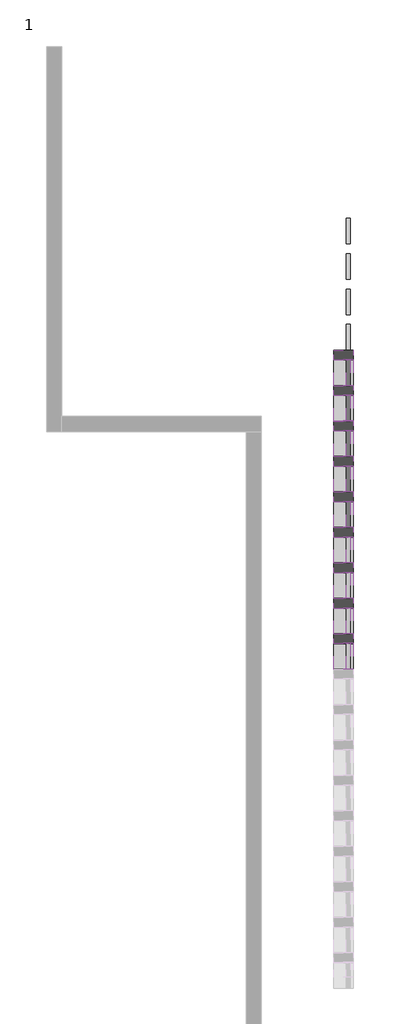
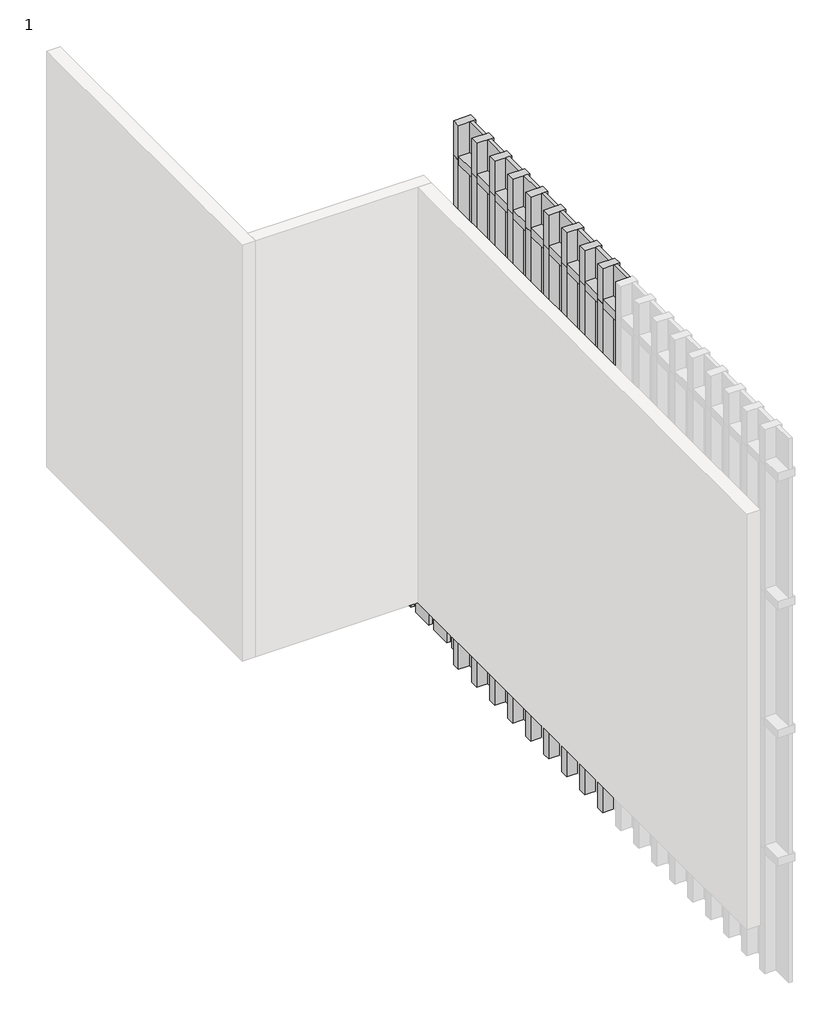
# One storey, part 15 of 40: 81 members, 39 plates.
"""IFC4 building model written with IfcOpenShell, lengths in millimetres."""

import ifcopenshell
import ifcopenshell.guid

model = None  # the IFC model being written
_history = None  # IfcOwnerHistory: only IFC2X3 demands one
_inside = {}  # id of a spatial element -> (the spatial element, [elements in it])
_under = {}  # id of a project, library or spatial element -> (it, [spatial elements below it])
_declared = {}  # id of a project -> (the project, [libraries it declares])
_typed = {}  # id of a type object -> (the type object, [elements of that type])
_made_of = {}  # id of a material, layer set ... -> (it, [elements and type objects made of it])


def new_model(schema):
    """Start an empty IFC model of exactly this schema.

    Asked for "IFC4X3", IfcOpenShell would pick the latest addendum, in which some entities
    have other attributes; the version numbers below select the first issue.
    IFC2X3 requires an IfcOwnerHistory on every rooted entity: one is made here for all.
    """
    global model, _history
    if schema == "IFC4X3":
        model = ifcopenshell.file(schema_version=(4, 3, 0, 0))
    else:
        model = ifcopenshell.file(schema=schema)
    _inside.clear()
    _under.clear()
    _declared.clear()
    _typed.clear()
    _made_of.clear()
    _history = None
    if model.schema == "IFC2X3":
        org = make("IfcOrganization", Name="unknown")
        user = make(
            "IfcPersonAndOrganization",
            ThePerson=make("IfcPerson", FamilyName="unknown"),
            TheOrganization=org,
        )
        app = make(
            "IfcApplication",
            ApplicationDeveloper=org,
            Version="unknown",
            ApplicationFullName="unknown",
            ApplicationIdentifier="unknown",
        )
        _history = make(
            "IfcOwnerHistory",
            OwningUser=user,
            OwningApplication=app,
            ChangeAction="ADDED",
            CreationDate=0,
        )
    return model


def make(cls, **values):
    """One entity of the class cls with the attributes given. An attribute that is None is left unset."""
    return model.create_entity(
        cls, **{name: value for name, value in values.items() if value is not None}
    )


def rooted(cls, **values):
    """An entity with a GlobalId (a new one), such as an element, a storey or a relation."""
    return make(cls, GlobalId=ifcopenshell.guid.new(), OwnerHistory=_history, **values)


def si_unit(unit_type, name, prefix=None):
    """IfcSIUnit, for example si_unit("LENGTHUNIT", "METRE", prefix="MILLI")."""
    return make("IfcSIUnit", UnitType=unit_type, Prefix=prefix, Name=name)


def assignment(units):
    """IfcUnitAssignment: the units of a project."""
    return None if units is None else make("IfcUnitAssignment", Units=units)


def point(xyz):
    """IfcCartesianPoint."""
    return None if xyz is None else make("IfcCartesianPoint", Coordinates=xyz)


def direction(xyz):
    """IfcDirection."""
    return None if xyz is None else make("IfcDirection", DirectionRatios=xyz)


def frame(location, z_axis=None, x_axis=None):
    """IfcAxis2Placement3D, a coordinate frame: its origin and axes. An axis left out is left unset."""
    return make(
        "IfcAxis2Placement3D",
        Location=point(location),
        Axis=direction(z_axis),
        RefDirection=direction(x_axis),
    )


def origin():
    """The frame at (0, 0, 0) with its axes left unset."""
    return frame((0.0, 0.0, 0.0))


def origin_with_axes():
    """The frame at (0, 0, 0) with the z axis (0, 0, 1) and the x axis (1, 0, 0) written out."""
    return frame((0.0, 0.0, 0.0), z_axis=(0.0, 0.0, 1.0), x_axis=(1.0, 0.0, 0.0))


def place(relative_to, where):
    """IfcLocalPlacement: puts the frame where relative to a parent placement (None: the world)."""
    return make(
        "IfcLocalPlacement", PlacementRelTo=relative_to, RelativePlacement=where
    )


def context(
    kind, dimensions, precision=None, world=None, true_north=None, identifier=None
):
    """IfcGeometricRepresentationContext, for example the 3D "Model" context."""
    return make(
        "IfcGeometricRepresentationContext",
        ContextIdentifier=identifier,
        ContextType=kind,
        CoordinateSpaceDimension=dimensions,
        Precision=precision,
        WorldCoordinateSystem=world,
        TrueNorth=true_north,
    )


def project(units=None, contexts=None):
    """IfcProject with its units and contexts."""
    return rooted(
        "IfcProject",
        Name="project",
        RepresentationContexts=contexts,
        UnitsInContext=assignment(units),
    )


def spatial(cls, under=None, at=None, **own):
    """A site, building, storey or space (cls), placed at a placement, below another one or the project."""
    s = rooted(cls, ObjectPlacement=at, **own)
    if under is not None:
        _under.setdefault(under.id(), (under, []))[1].append(s)
    return s


def polyline(points):
    """IfcPolyline through the points."""
    return make("IfcPolyline", Points=[point(p) for p in points])


def outline(outer, holes=None, kind="AREA"):
    """IfcArbitraryClosedProfileDef: a profile drawn as a closed curve; with holes, ...WithVoids."""
    if holes is None:
        return make("IfcArbitraryClosedProfileDef", ProfileType=kind, OuterCurve=outer)
    return make(
        "IfcArbitraryProfileDefWithVoids",
        ProfileType=kind,
        OuterCurve=outer,
        InnerCurves=holes,
    )


def extrude(swept, where, along, depth):
    """IfcExtrudedAreaSolid: the profile swept, set in the frame where, extruded along a direction by depth."""
    return make(
        "IfcExtrudedAreaSolid",
        SweptArea=swept,
        Position=where,
        ExtrudedDirection=direction(along),
        Depth=depth,
    )


def shape(context_of_items, identifier, shape_type, items):
    """IfcShapeRepresentation: the items that make up one representation, for example the "Body"."""
    return make(
        "IfcShapeRepresentation",
        ContextOfItems=context_of_items,
        RepresentationIdentifier=identifier,
        RepresentationType=shape_type,
        Items=items,
    )


def source(mapping_origin, context_of_items, identifier, shape_type, items):
    """IfcRepresentationMap: a shape defined once, which mapped items show again and again."""
    return make(
        "IfcRepresentationMap",
        MappingOrigin=mapping_origin,
        MappedRepresentation=shape(context_of_items, identifier, shape_type, items),
    )


def transform(
    local_origin,
    x_axis=None,
    y_axis=None,
    z_axis=None,
    scale=None,
    scale2=None,
    scale3=None,
    uniform=True,
):
    """IfcCartesianTransformationOperator3D, or its non-uniform kind. x_axis, y_axis, z_axis: its Axis1, 2, 3."""
    if uniform:
        return make(
            "IfcCartesianTransformationOperator3D",
            Axis1=direction(x_axis),
            Axis2=direction(y_axis),
            LocalOrigin=point(local_origin),
            Scale=scale,
            Axis3=direction(z_axis),
        )
    return make(
        "IfcCartesianTransformationOperator3DnonUniform",
        Axis1=direction(x_axis),
        Axis2=direction(y_axis),
        LocalOrigin=point(local_origin),
        Scale=scale,
        Axis3=direction(z_axis),
        Scale2=scale2,
        Scale3=scale3,
    )


def mapped(mapping_source, mapping_target):
    """IfcMappedItem: shows the shape of a source again, moved by a transform."""
    return make(
        "IfcMappedItem", MappingSource=mapping_source, MappingTarget=mapping_target
    )


def made_of(thing, what):
    """Note that an element or type object is made of a material, layer set ...; save() writes the relation."""
    if what is not None:
        _made_of.setdefault(what.id(), (what, []))[1].append(thing)
    return thing


def element(
    cls,
    number,
    at=None,
    inside=None,
    cuts=None,
    type_object=None,
    material=None,
    context=None,
    identifier="Body",
    shape_type=None,
    held_by="IfcProductDefinitionShape",
    body=None,
    shapes=None,
    **own,
):
    """One element of the class cls, such as IfcWall. Its Tag is "e" and its number.

    at: its placement. inside: the storey or other place that contains it. cuts: it is an
    opening in that element (IfcRelVoidsElement). A single representation is given by context,
    identifier, shape_type and body (its items); several are given by shapes. held_by: the class
    of the entity that holds the representations. save() writes the other relations.
    """
    e = rooted(cls, Tag="e%d" % number, ObjectPlacement=at, **own)
    if body is not None:
        shapes = [shape(context, identifier, shape_type, body)]
    if shapes is not None:
        e.Representation = make(held_by, Representations=shapes)
    if inside is not None:
        _inside.setdefault(inside.id(), (inside, []))[1].append(e)
    if cuts is not None:
        rooted(
            "IfcRelVoidsElement", RelatingBuildingElement=cuts, RelatedOpeningElement=e
        )
    if type_object is not None:
        _typed.setdefault(type_object.id(), (type_object, []))[1].append(e)
    return made_of(e, material)


def aggregate(whole, parts):
    """IfcRelAggregates: a whole, such as a stair, and the parts it consists of."""
    return rooted("IfcRelAggregates", RelatingObject=whole, RelatedObjects=parts)


def save(model, path):
    """Write the relations noted so far, then the file.

    IfcRelAggregates (storeys below a building ...), IfcRelContainedInSpatialStructure (elements
    in a storey), IfcRelDefinesByType, IfcRelAssociatesMaterial and IfcRelDeclares: one each for
    every whole, place, type object, material and project.
    """
    for whole, parts in _under.values():
        aggregate(whole, parts)
    for where, things in _inside.values():
        rooted(
            "IfcRelContainedInSpatialStructure",
            RelatedElements=things,
            RelatingStructure=where,
        )
    for kind, things in _typed.values():
        rooted("IfcRelDefinesByType", RelatedObjects=things, RelatingType=kind)
    for what, things in _made_of.values():
        rooted("IfcRelAssociatesMaterial", RelatedObjects=things, RelatingMaterial=what)
    for by, libraries in _declared.values():
        rooted("IfcRelDeclares", RelatingContext=by, RelatedDefinitions=libraries)
    model.write(path)


def rectangular_mullion_rectangular_mullion_1_018ae7aa(model_context):
    return source(origin(), model_context, "Body", "SweptSolid", [
        extrude(outline(polyline([(31.75, 63.5), (31.75, -63.5), (-31.75, -63.5), (-31.75, 63.5), (31.75, 63.5)])), frame((0.0, 0.0, -166.5), z_axis=(0.0, 0.0, 1.0), x_axis=(1.0, 0.0, 0.0)), (0.0, 0.0, 1.0), 166.5),
    ])


def rectangular_mullion_rectangular_mullion_1_43f49249(model_context):
    return source(origin(), model_context, "Body", "SweptSolid", [
        extrude(outline(polyline([(31.75, 63.5), (31.75, -63.5), (-31.75, -63.5), (-31.75, 63.5), (31.75, 63.5)])), frame((0.0, 0.0, -968.25), z_axis=(0.0, 0.0, 1.0), x_axis=(1.0, 0.0, 0.0)), (0.0, 0.0, 1.0), 968.25),
    ])


def rectangular_mullion_rectangular_mullion_1_0daabb75(model_context):
    return source(origin(), model_context, "Body", "SweptSolid", [
        extrude(outline(polyline([(31.75, 63.5), (31.75, -63.5), (-31.75, -63.5), (-31.75, 63.5), (31.75, 63.5)])), frame((0.0, 0.0, -1000.0), z_axis=(0.0, 0.0, 1.0), x_axis=(1.0, 0.0, 0.0)), (0.0, 0.0, 1.0), 1000.0),
    ])


def rectangular_mullion_rectangular_mullion_1_7425881c(model_context):
    return source(origin(), model_context, "Body", "SweptSolid", [
        extrude(outline(polyline([(31.75, 63.5), (31.75, -63.5), (-31.75, -63.5), (-31.75, 63.5), (31.75, 63.5)])), frame((0.0, 0.0, -271.75), z_axis=(0.0, 0.0, 1.0), x_axis=(1.0, 0.0, 0.0)), (0.0, 0.0, 1.0), 271.75),
    ])


def system_panel_glazed_637935cf(model_context):
    return source(origin(), model_context, "Body", "SweptSolid", [
        extrude(outline(polyline([(83.25, -44.45), (-83.25, -44.45), (-83.25, -19.05), (83.25, -19.05), (83.25, -44.45)])), origin_with_axes(), (0.0, 0.0, 1.0), 936.5),
    ])


def system_panel_glazed_3e05323c(model_context):
    return source(origin(), model_context, "Body", "SweptSolid", [
        extrude(outline(polyline([(83.25, -44.45), (-83.25, -44.45), (-83.25, -19.05), (83.25, -19.05), (83.25, -44.45)])), origin_with_axes(), (0.0, 0.0, 1.0), 240.0),
    ])


model = new_model("IFC4")

# Units and contexts
model_context = context("Model", 3, world=origin())
ifc_project = project(units=[si_unit("LENGTHUNIT", "METRE", prefix="MILLI")], contexts=[model_context])

# Site, building, storey
site = spatial("IfcSite", under=ifc_project)
building = spatial("IfcBuilding", under=site)
storey = spatial("IfcBuildingStorey", under=building, Name="1", Elevation=3600.0)

# Members
placement = place(None, origin())
rectangular_mullion_rectangular_mullion_1_shape = rectangular_mullion_rectangular_mullion_1_018ae7aa(model_context)
element("IfcMember", 1, ObjectType="Rectangular Mullion : Rectangular Mullion 1", at=placement, inside=storey, context=model_context, shape_type="MappedRepresentation", body=[
    mapped(rectangular_mullion_rectangular_mullion_1_shape, transform((8762.3871269, -10896.5554662, 3568.25), x_axis=(0.0, 0.0, 1.0), y_axis=(1.0, 0.0, 0.0), z_axis=(0.0, 1.0, 0.0))),
])
element("IfcMember", 2, ObjectType="Rectangular Mullion : Rectangular Mullion 1", at=placement, inside=storey, context=model_context, shape_type="MappedRepresentation", body=[
    mapped(rectangular_mullion_rectangular_mullion_1_shape, transform((8762.3871269, -10666.5554662, 3568.25), x_axis=(0.0, 0.0, 1.0), y_axis=(1.0, 0.0, 0.0), z_axis=(0.0, 1.0, 0.0))),
])
element("IfcMember", 3, ObjectType="Rectangular Mullion : Rectangular Mullion 1", at=placement, inside=storey, context=model_context, shape_type="MappedRepresentation", body=[
    mapped(rectangular_mullion_rectangular_mullion_1_shape, transform((8762.3871269, -10436.5554662, 3568.25), x_axis=(0.0, 0.0, 1.0), y_axis=(1.0, 0.0, 0.0), z_axis=(0.0, 1.0, 0.0))),
])
element("IfcMember", 4, ObjectType="Rectangular Mullion : Rectangular Mullion 1", at=placement, inside=storey, context=model_context, shape_type="MappedRepresentation", body=[
    mapped(rectangular_mullion_rectangular_mullion_1_shape, transform((8762.3871269, -10206.5554662, 3568.25), x_axis=(0.0, 0.0, 1.0), y_axis=(1.0, 0.0, 0.0), z_axis=(0.0, 1.0, 0.0))),
])
element("IfcMember", 5, ObjectType="Rectangular Mullion : Rectangular Mullion 1", at=placement, inside=storey, context=model_context, shape_type="MappedRepresentation", body=[
    mapped(rectangular_mullion_rectangular_mullion_1_shape, transform((8762.3871269, -9976.5554662, 3568.25), x_axis=(0.0, 0.0, 1.0), y_axis=(1.0, 0.0, 0.0), z_axis=(0.0, 1.0, 0.0))),
])
element("IfcMember", 6, ObjectType="Rectangular Mullion : Rectangular Mullion 1", at=placement, inside=storey, context=model_context, shape_type="MappedRepresentation", body=[
    mapped(rectangular_mullion_rectangular_mullion_1_shape, transform((8762.3871269, -9746.5554662, 3568.25), x_axis=(0.0, 0.0, 1.0), y_axis=(1.0, 0.0, 0.0), z_axis=(0.0, 1.0, 0.0))),
])
element("IfcMember", 7, ObjectType="Rectangular Mullion : Rectangular Mullion 1", at=placement, inside=storey, context=model_context, shape_type="MappedRepresentation", body=[
    mapped(rectangular_mullion_rectangular_mullion_1_shape, transform((8762.3871269, -9516.5554662, 3568.25), x_axis=(0.0, 0.0, 1.0), y_axis=(1.0, 0.0, 0.0), z_axis=(0.0, 1.0, 0.0))),
])
element("IfcMember", 8, ObjectType="Rectangular Mullion : Rectangular Mullion 1", at=placement, inside=storey, context=model_context, shape_type="MappedRepresentation", body=[
    mapped(rectangular_mullion_rectangular_mullion_1_shape, transform((8762.3871269, -9286.5554662, 3568.25), x_axis=(0.0, 0.0, 1.0), y_axis=(1.0, 0.0, 0.0), z_axis=(0.0, 1.0, 0.0))),
])
element("IfcMember", 9, ObjectType="Rectangular Mullion : Rectangular Mullion 1", at=placement, inside=storey, context=model_context, shape_type="MappedRepresentation", body=[
    mapped(rectangular_mullion_rectangular_mullion_1_shape, transform((8762.3871269, -9056.5554662, 3568.25), x_axis=(0.0, 0.0, 1.0), y_axis=(1.0, 0.0, 0.0), z_axis=(0.0, 1.0, 0.0))),
])
element("IfcMember", 10, ObjectType="Rectangular Mullion : Rectangular Mullion 1", at=placement, inside=storey, context=model_context, shape_type="MappedRepresentation", body=[
    mapped(rectangular_mullion_rectangular_mullion_1_shape, transform((8762.3871269, -10896.5554662, 4568.25), x_axis=(0.0, 0.0, 1.0), y_axis=(1.0, 0.0, 0.0), z_axis=(0.0, 1.0, 0.0))),
])
element("IfcMember", 11, ObjectType="Rectangular Mullion : Rectangular Mullion 1", at=placement, inside=storey, context=model_context, shape_type="MappedRepresentation", body=[
    mapped(rectangular_mullion_rectangular_mullion_1_shape, transform((8762.3871269, -10666.5554662, 4568.25), x_axis=(0.0, 0.0, 1.0), y_axis=(1.0, 0.0, 0.0), z_axis=(0.0, 1.0, 0.0))),
])
element("IfcMember", 12, ObjectType="Rectangular Mullion : Rectangular Mullion 1", at=placement, inside=storey, context=model_context, shape_type="MappedRepresentation", body=[
    mapped(rectangular_mullion_rectangular_mullion_1_shape, transform((8762.3871269, -10436.5554662, 4568.25), x_axis=(0.0, 0.0, 1.0), y_axis=(1.0, 0.0, 0.0), z_axis=(0.0, 1.0, 0.0))),
])
element("IfcMember", 13, ObjectType="Rectangular Mullion : Rectangular Mullion 1", at=placement, inside=storey, context=model_context, shape_type="MappedRepresentation", body=[
    mapped(rectangular_mullion_rectangular_mullion_1_shape, transform((8762.3871269, -10206.5554662, 4568.25), x_axis=(0.0, 0.0, 1.0), y_axis=(1.0, 0.0, 0.0), z_axis=(0.0, 1.0, 0.0))),
])
element("IfcMember", 14, ObjectType="Rectangular Mullion : Rectangular Mullion 1", at=placement, inside=storey, context=model_context, shape_type="MappedRepresentation", body=[
    mapped(rectangular_mullion_rectangular_mullion_1_shape, transform((8762.3871269, -9976.5554662, 4568.25), x_axis=(0.0, 0.0, 1.0), y_axis=(1.0, 0.0, 0.0), z_axis=(0.0, 1.0, 0.0))),
])
element("IfcMember", 15, ObjectType="Rectangular Mullion : Rectangular Mullion 1", at=placement, inside=storey, context=model_context, shape_type="MappedRepresentation", body=[
    mapped(rectangular_mullion_rectangular_mullion_1_shape, transform((8762.3871269, -9746.5554662, 4568.25), x_axis=(0.0, 0.0, 1.0), y_axis=(1.0, 0.0, 0.0), z_axis=(0.0, 1.0, 0.0))),
])
element("IfcMember", 16, ObjectType="Rectangular Mullion : Rectangular Mullion 1", at=placement, inside=storey, context=model_context, shape_type="MappedRepresentation", body=[
    mapped(rectangular_mullion_rectangular_mullion_1_shape, transform((8762.3871269, -9516.5554662, 4568.25), x_axis=(0.0, 0.0, 1.0), y_axis=(1.0, 0.0, 0.0), z_axis=(0.0, 1.0, 0.0))),
])
element("IfcMember", 17, ObjectType="Rectangular Mullion : Rectangular Mullion 1", at=placement, inside=storey, context=model_context, shape_type="MappedRepresentation", body=[
    mapped(rectangular_mullion_rectangular_mullion_1_shape, transform((8762.3871269, -9286.5554662, 4568.25), x_axis=(0.0, 0.0, 1.0), y_axis=(1.0, 0.0, 0.0), z_axis=(0.0, 1.0, 0.0))),
])
element("IfcMember", 18, ObjectType="Rectangular Mullion : Rectangular Mullion 1", at=placement, inside=storey, context=model_context, shape_type="MappedRepresentation", body=[
    mapped(rectangular_mullion_rectangular_mullion_1_shape, transform((8762.3871269, -9056.5554662, 4568.25), x_axis=(0.0, 0.0, 1.0), y_axis=(1.0, 0.0, 0.0), z_axis=(0.0, 1.0, 0.0))),
])
element("IfcMember", 19, ObjectType="Rectangular Mullion : Rectangular Mullion 1", at=placement, inside=storey, context=model_context, shape_type="MappedRepresentation", body=[
    mapped(rectangular_mullion_rectangular_mullion_1_shape, transform((8762.3871269, -10896.5554662, 5568.25), x_axis=(0.0, 0.0, 1.0), y_axis=(1.0, 0.0, 0.0), z_axis=(0.0, 1.0, 0.0))),
])
element("IfcMember", 20, ObjectType="Rectangular Mullion : Rectangular Mullion 1", at=placement, inside=storey, context=model_context, shape_type="MappedRepresentation", body=[
    mapped(rectangular_mullion_rectangular_mullion_1_shape, transform((8762.3871269, -10666.5554662, 5568.25), x_axis=(0.0, 0.0, 1.0), y_axis=(1.0, 0.0, 0.0), z_axis=(0.0, 1.0, 0.0))),
])
element("IfcMember", 21, ObjectType="Rectangular Mullion : Rectangular Mullion 1", at=placement, inside=storey, context=model_context, shape_type="MappedRepresentation", body=[
    mapped(rectangular_mullion_rectangular_mullion_1_shape, transform((8762.3871269, -10436.5554662, 5568.25), x_axis=(0.0, 0.0, 1.0), y_axis=(1.0, 0.0, 0.0), z_axis=(0.0, 1.0, 0.0))),
])
element("IfcMember", 22, ObjectType="Rectangular Mullion : Rectangular Mullion 1", at=placement, inside=storey, context=model_context, shape_type="MappedRepresentation", body=[
    mapped(rectangular_mullion_rectangular_mullion_1_shape, transform((8762.3871269, -10206.5554662, 5568.25), x_axis=(0.0, 0.0, 1.0), y_axis=(1.0, 0.0, 0.0), z_axis=(0.0, 1.0, 0.0))),
])
element("IfcMember", 23, ObjectType="Rectangular Mullion : Rectangular Mullion 1", at=placement, inside=storey, context=model_context, shape_type="MappedRepresentation", body=[
    mapped(rectangular_mullion_rectangular_mullion_1_shape, transform((8762.3871269, -9976.5554662, 5568.25), x_axis=(0.0, 0.0, 1.0), y_axis=(1.0, 0.0, 0.0), z_axis=(0.0, 1.0, 0.0))),
])
element("IfcMember", 24, ObjectType="Rectangular Mullion : Rectangular Mullion 1", at=placement, inside=storey, context=model_context, shape_type="MappedRepresentation", body=[
    mapped(rectangular_mullion_rectangular_mullion_1_shape, transform((8762.3871269, -9746.5554662, 5568.25), x_axis=(0.0, 0.0, 1.0), y_axis=(1.0, 0.0, 0.0), z_axis=(0.0, 1.0, 0.0))),
])
element("IfcMember", 25, ObjectType="Rectangular Mullion : Rectangular Mullion 1", at=placement, inside=storey, context=model_context, shape_type="MappedRepresentation", body=[
    mapped(rectangular_mullion_rectangular_mullion_1_shape, transform((8762.3871269, -9516.5554662, 5568.25), x_axis=(0.0, 0.0, 1.0), y_axis=(1.0, 0.0, 0.0), z_axis=(0.0, 1.0, 0.0))),
])
element("IfcMember", 26, ObjectType="Rectangular Mullion : Rectangular Mullion 1", at=placement, inside=storey, context=model_context, shape_type="MappedRepresentation", body=[
    mapped(rectangular_mullion_rectangular_mullion_1_shape, transform((8762.3871269, -9286.5554662, 5568.25), x_axis=(0.0, 0.0, 1.0), y_axis=(1.0, 0.0, 0.0), z_axis=(0.0, 1.0, 0.0))),
])
element("IfcMember", 27, ObjectType="Rectangular Mullion : Rectangular Mullion 1", at=placement, inside=storey, context=model_context, shape_type="MappedRepresentation", body=[
    mapped(rectangular_mullion_rectangular_mullion_1_shape, transform((8762.3871269, -9056.5554662, 5568.25), x_axis=(0.0, 0.0, 1.0), y_axis=(1.0, 0.0, 0.0), z_axis=(0.0, 1.0, 0.0))),
])
element("IfcMember", 28, ObjectType="Rectangular Mullion : Rectangular Mullion 1", at=placement, inside=storey, context=model_context, shape_type="MappedRepresentation", body=[
    mapped(rectangular_mullion_rectangular_mullion_1_shape, transform((8762.3871269, -10896.5554662, 6568.25), x_axis=(0.0, 0.0, 1.0), y_axis=(1.0, 0.0, 0.0), z_axis=(0.0, 1.0, 0.0))),
])
element("IfcMember", 29, ObjectType="Rectangular Mullion : Rectangular Mullion 1", at=placement, inside=storey, context=model_context, shape_type="MappedRepresentation", body=[
    mapped(rectangular_mullion_rectangular_mullion_1_shape, transform((8762.3871269, -10666.5554662, 6568.25), x_axis=(0.0, 0.0, 1.0), y_axis=(1.0, 0.0, 0.0), z_axis=(0.0, 1.0, 0.0))),
])
element("IfcMember", 30, ObjectType="Rectangular Mullion : Rectangular Mullion 1", at=placement, inside=storey, context=model_context, shape_type="MappedRepresentation", body=[
    mapped(rectangular_mullion_rectangular_mullion_1_shape, transform((8762.3871269, -10436.5554662, 6568.25), x_axis=(0.0, 0.0, 1.0), y_axis=(1.0, 0.0, 0.0), z_axis=(0.0, 1.0, 0.0))),
])
element("IfcMember", 31, ObjectType="Rectangular Mullion : Rectangular Mullion 1", at=placement, inside=storey, context=model_context, shape_type="MappedRepresentation", body=[
    mapped(rectangular_mullion_rectangular_mullion_1_shape, transform((8762.3871269, -10206.5554662, 6568.25), x_axis=(0.0, 0.0, 1.0), y_axis=(1.0, 0.0, 0.0), z_axis=(0.0, 1.0, 0.0))),
])
element("IfcMember", 32, ObjectType="Rectangular Mullion : Rectangular Mullion 1", at=placement, inside=storey, context=model_context, shape_type="MappedRepresentation", body=[
    mapped(rectangular_mullion_rectangular_mullion_1_shape, transform((8762.3871269, -9976.5554662, 6568.25), x_axis=(0.0, 0.0, 1.0), y_axis=(1.0, 0.0, 0.0), z_axis=(0.0, 1.0, 0.0))),
])
element("IfcMember", 33, ObjectType="Rectangular Mullion : Rectangular Mullion 1", at=placement, inside=storey, context=model_context, shape_type="MappedRepresentation", body=[
    mapped(rectangular_mullion_rectangular_mullion_1_shape, transform((8762.3871269, -9746.5554662, 6568.25), x_axis=(0.0, 0.0, 1.0), y_axis=(1.0, 0.0, 0.0), z_axis=(0.0, 1.0, 0.0))),
])
element("IfcMember", 34, ObjectType="Rectangular Mullion : Rectangular Mullion 1", at=placement, inside=storey, context=model_context, shape_type="MappedRepresentation", body=[
    mapped(rectangular_mullion_rectangular_mullion_1_shape, transform((8762.3871269, -9516.5554662, 6568.25), x_axis=(0.0, 0.0, 1.0), y_axis=(1.0, 0.0, 0.0), z_axis=(0.0, 1.0, 0.0))),
])
element("IfcMember", 35, ObjectType="Rectangular Mullion : Rectangular Mullion 1", at=placement, inside=storey, context=model_context, shape_type="MappedRepresentation", body=[
    mapped(rectangular_mullion_rectangular_mullion_1_shape, transform((8762.3871269, -9286.5554662, 6568.25), x_axis=(0.0, 0.0, 1.0), y_axis=(1.0, 0.0, 0.0), z_axis=(0.0, 1.0, 0.0))),
])
element("IfcMember", 36, ObjectType="Rectangular Mullion : Rectangular Mullion 1", at=placement, inside=storey, context=model_context, shape_type="MappedRepresentation", body=[
    mapped(rectangular_mullion_rectangular_mullion_1_shape, transform((8762.3871269, -9056.5554662, 6568.25), x_axis=(0.0, 0.0, 1.0), y_axis=(1.0, 0.0, 0.0), z_axis=(0.0, 1.0, 0.0))),
])
rectangular_mullion_rectangular_mullion_1_2_shape = rectangular_mullion_rectangular_mullion_1_43f49249(model_context)
element("IfcMember", 37, ObjectType="Rectangular Mullion : Rectangular Mullion 1", at=placement, inside=storey, context=model_context, shape_type="MappedRepresentation", body=[
    mapped(rectangular_mullion_rectangular_mullion_1_2_shape, transform((8762.3871269, -10864.8054662, 2600.0), x_axis=(0.0, 1.0, 0.0), y_axis=(1.0, 0.0, 0.0), z_axis=(0.0, 0.0, -1.0))),
])
element("IfcMember", 38, ObjectType="Rectangular Mullion : Rectangular Mullion 1", at=placement, inside=storey, context=model_context, shape_type="MappedRepresentation", body=[
    mapped(rectangular_mullion_rectangular_mullion_1_2_shape, transform((8762.3871269, -10634.8054662, 2600.0), x_axis=(0.0, 1.0, 0.0), y_axis=(1.0, 0.0, 0.0), z_axis=(0.0, 0.0, -1.0))),
])
element("IfcMember", 39, ObjectType="Rectangular Mullion : Rectangular Mullion 1", at=placement, inside=storey, context=model_context, shape_type="MappedRepresentation", body=[
    mapped(rectangular_mullion_rectangular_mullion_1_2_shape, transform((8762.3871269, -10404.8054662, 2600.0), x_axis=(0.0, 1.0, 0.0), y_axis=(1.0, 0.0, 0.0), z_axis=(0.0, 0.0, -1.0))),
])
element("IfcMember", 40, ObjectType="Rectangular Mullion : Rectangular Mullion 1", at=placement, inside=storey, context=model_context, shape_type="MappedRepresentation", body=[
    mapped(rectangular_mullion_rectangular_mullion_1_2_shape, transform((8762.3871269, -10174.8054662, 2600.0), x_axis=(0.0, 1.0, 0.0), y_axis=(1.0, 0.0, 0.0), z_axis=(0.0, 0.0, -1.0))),
])
element("IfcMember", 41, ObjectType="Rectangular Mullion : Rectangular Mullion 1", at=placement, inside=storey, context=model_context, shape_type="MappedRepresentation", body=[
    mapped(rectangular_mullion_rectangular_mullion_1_2_shape, transform((8762.3871269, -9944.8054662, 2600.0), x_axis=(0.0, 1.0, 0.0), y_axis=(1.0, 0.0, 0.0), z_axis=(0.0, 0.0, -1.0))),
])
element("IfcMember", 42, ObjectType="Rectangular Mullion : Rectangular Mullion 1", at=placement, inside=storey, context=model_context, shape_type="MappedRepresentation", body=[
    mapped(rectangular_mullion_rectangular_mullion_1_2_shape, transform((8762.3871269, -9714.8054662, 2600.0), x_axis=(0.0, 1.0, 0.0), y_axis=(1.0, 0.0, 0.0), z_axis=(0.0, 0.0, -1.0))),
])
element("IfcMember", 43, ObjectType="Rectangular Mullion : Rectangular Mullion 1", at=placement, inside=storey, context=model_context, shape_type="MappedRepresentation", body=[
    mapped(rectangular_mullion_rectangular_mullion_1_2_shape, transform((8762.3871269, -9484.8054662, 2600.0), x_axis=(0.0, 1.0, 0.0), y_axis=(1.0, 0.0, 0.0), z_axis=(0.0, 0.0, -1.0))),
])
element("IfcMember", 44, ObjectType="Rectangular Mullion : Rectangular Mullion 1", at=placement, inside=storey, context=model_context, shape_type="MappedRepresentation", body=[
    mapped(rectangular_mullion_rectangular_mullion_1_2_shape, transform((8762.3871269, -9254.8054662, 2600.0), x_axis=(0.0, 1.0, 0.0), y_axis=(1.0, 0.0, 0.0), z_axis=(0.0, 0.0, -1.0))),
])
element("IfcMember", 45, ObjectType="Rectangular Mullion : Rectangular Mullion 1", at=placement, inside=storey, context=model_context, shape_type="MappedRepresentation", body=[
    mapped(rectangular_mullion_rectangular_mullion_1_2_shape, transform((8762.3871269, -9024.8054662, 2600.0), x_axis=(0.0, 1.0, 0.0), y_axis=(1.0, 0.0, 0.0), z_axis=(0.0, 0.0, -1.0))),
])
rectangular_mullion_rectangular_mullion_1_3_shape = rectangular_mullion_rectangular_mullion_1_0daabb75(model_context)
element("IfcMember", 46, ObjectType="Rectangular Mullion : Rectangular Mullion 1", at=placement, inside=storey, context=model_context, shape_type="MappedRepresentation", body=[
    mapped(rectangular_mullion_rectangular_mullion_1_3_shape, transform((8762.3871269, -10864.8054662, 3568.25), x_axis=(0.0, 1.0, 0.0), y_axis=(1.0, 0.0, 0.0), z_axis=(0.0, 0.0, -1.0))),
])
element("IfcMember", 47, ObjectType="Rectangular Mullion : Rectangular Mullion 1", at=placement, inside=storey, context=model_context, shape_type="MappedRepresentation", body=[
    mapped(rectangular_mullion_rectangular_mullion_1_3_shape, transform((8762.3871269, -10634.8054662, 3568.25), x_axis=(0.0, 1.0, 0.0), y_axis=(1.0, 0.0, 0.0), z_axis=(0.0, 0.0, -1.0))),
])
element("IfcMember", 48, ObjectType="Rectangular Mullion : Rectangular Mullion 1", at=placement, inside=storey, context=model_context, shape_type="MappedRepresentation", body=[
    mapped(rectangular_mullion_rectangular_mullion_1_3_shape, transform((8762.3871269, -10404.8054662, 3568.25), x_axis=(0.0, 1.0, 0.0), y_axis=(1.0, 0.0, 0.0), z_axis=(0.0, 0.0, -1.0))),
])
element("IfcMember", 49, ObjectType="Rectangular Mullion : Rectangular Mullion 1", at=placement, inside=storey, context=model_context, shape_type="MappedRepresentation", body=[
    mapped(rectangular_mullion_rectangular_mullion_1_3_shape, transform((8762.3871269, -10174.8054662, 3568.25), x_axis=(0.0, 1.0, 0.0), y_axis=(1.0, 0.0, 0.0), z_axis=(0.0, 0.0, -1.0))),
])
element("IfcMember", 50, ObjectType="Rectangular Mullion : Rectangular Mullion 1", at=placement, inside=storey, context=model_context, shape_type="MappedRepresentation", body=[
    mapped(rectangular_mullion_rectangular_mullion_1_3_shape, transform((8762.3871269, -9944.8054662, 3568.25), x_axis=(0.0, 1.0, 0.0), y_axis=(1.0, 0.0, 0.0), z_axis=(0.0, 0.0, -1.0))),
])
element("IfcMember", 51, ObjectType="Rectangular Mullion : Rectangular Mullion 1", at=placement, inside=storey, context=model_context, shape_type="MappedRepresentation", body=[
    mapped(rectangular_mullion_rectangular_mullion_1_3_shape, transform((8762.3871269, -9714.8054662, 3568.25), x_axis=(0.0, 1.0, 0.0), y_axis=(1.0, 0.0, 0.0), z_axis=(0.0, 0.0, -1.0))),
])
element("IfcMember", 52, ObjectType="Rectangular Mullion : Rectangular Mullion 1", at=placement, inside=storey, context=model_context, shape_type="MappedRepresentation", body=[
    mapped(rectangular_mullion_rectangular_mullion_1_3_shape, transform((8762.3871269, -9484.8054662, 3568.25), x_axis=(0.0, 1.0, 0.0), y_axis=(1.0, 0.0, 0.0), z_axis=(0.0, 0.0, -1.0))),
])
element("IfcMember", 53, ObjectType="Rectangular Mullion : Rectangular Mullion 1", at=placement, inside=storey, context=model_context, shape_type="MappedRepresentation", body=[
    mapped(rectangular_mullion_rectangular_mullion_1_3_shape, transform((8762.3871269, -9254.8054662, 3568.25), x_axis=(0.0, 1.0, 0.0), y_axis=(1.0, 0.0, 0.0), z_axis=(0.0, 0.0, -1.0))),
])
element("IfcMember", 54, ObjectType="Rectangular Mullion : Rectangular Mullion 1", at=placement, inside=storey, context=model_context, shape_type="MappedRepresentation", body=[
    mapped(rectangular_mullion_rectangular_mullion_1_3_shape, transform((8762.3871269, -9024.8054662, 3568.25), x_axis=(0.0, 1.0, 0.0), y_axis=(1.0, 0.0, 0.0), z_axis=(0.0, 0.0, -1.0))),
])
element("IfcMember", 55, ObjectType="Rectangular Mullion : Rectangular Mullion 1", at=placement, inside=storey, context=model_context, shape_type="MappedRepresentation", body=[
    mapped(rectangular_mullion_rectangular_mullion_1_3_shape, transform((8762.3871269, -10864.8054662, 4568.25), x_axis=(0.0, 1.0, 0.0), y_axis=(1.0, 0.0, 0.0), z_axis=(0.0, 0.0, -1.0))),
])
element("IfcMember", 56, ObjectType="Rectangular Mullion : Rectangular Mullion 1", at=placement, inside=storey, context=model_context, shape_type="MappedRepresentation", body=[
    mapped(rectangular_mullion_rectangular_mullion_1_3_shape, transform((8762.3871269, -10634.8054662, 4568.25), x_axis=(0.0, 1.0, 0.0), y_axis=(1.0, 0.0, 0.0), z_axis=(0.0, 0.0, -1.0))),
])
element("IfcMember", 57, ObjectType="Rectangular Mullion : Rectangular Mullion 1", at=placement, inside=storey, context=model_context, shape_type="MappedRepresentation", body=[
    mapped(rectangular_mullion_rectangular_mullion_1_3_shape, transform((8762.3871269, -10404.8054662, 4568.25), x_axis=(0.0, 1.0, 0.0), y_axis=(1.0, 0.0, 0.0), z_axis=(0.0, 0.0, -1.0))),
])
element("IfcMember", 58, ObjectType="Rectangular Mullion : Rectangular Mullion 1", at=placement, inside=storey, context=model_context, shape_type="MappedRepresentation", body=[
    mapped(rectangular_mullion_rectangular_mullion_1_3_shape, transform((8762.3871269, -10174.8054662, 4568.25), x_axis=(0.0, 1.0, 0.0), y_axis=(1.0, 0.0, 0.0), z_axis=(0.0, 0.0, -1.0))),
])
element("IfcMember", 59, ObjectType="Rectangular Mullion : Rectangular Mullion 1", at=placement, inside=storey, context=model_context, shape_type="MappedRepresentation", body=[
    mapped(rectangular_mullion_rectangular_mullion_1_3_shape, transform((8762.3871269, -9944.8054662, 4568.25), x_axis=(0.0, 1.0, 0.0), y_axis=(1.0, 0.0, 0.0), z_axis=(0.0, 0.0, -1.0))),
])
element("IfcMember", 60, ObjectType="Rectangular Mullion : Rectangular Mullion 1", at=placement, inside=storey, context=model_context, shape_type="MappedRepresentation", body=[
    mapped(rectangular_mullion_rectangular_mullion_1_3_shape, transform((8762.3871269, -9714.8054662, 4568.25), x_axis=(0.0, 1.0, 0.0), y_axis=(1.0, 0.0, 0.0), z_axis=(0.0, 0.0, -1.0))),
])
element("IfcMember", 61, ObjectType="Rectangular Mullion : Rectangular Mullion 1", at=placement, inside=storey, context=model_context, shape_type="MappedRepresentation", body=[
    mapped(rectangular_mullion_rectangular_mullion_1_3_shape, transform((8762.3871269, -9484.8054662, 4568.25), x_axis=(0.0, 1.0, 0.0), y_axis=(1.0, 0.0, 0.0), z_axis=(0.0, 0.0, -1.0))),
])
element("IfcMember", 62, ObjectType="Rectangular Mullion : Rectangular Mullion 1", at=placement, inside=storey, context=model_context, shape_type="MappedRepresentation", body=[
    mapped(rectangular_mullion_rectangular_mullion_1_3_shape, transform((8762.3871269, -9254.8054662, 4568.25), x_axis=(0.0, 1.0, 0.0), y_axis=(1.0, 0.0, 0.0), z_axis=(0.0, 0.0, -1.0))),
])
element("IfcMember", 63, ObjectType="Rectangular Mullion : Rectangular Mullion 1", at=placement, inside=storey, context=model_context, shape_type="MappedRepresentation", body=[
    mapped(rectangular_mullion_rectangular_mullion_1_3_shape, transform((8762.3871269, -9024.8054662, 4568.25), x_axis=(0.0, 1.0, 0.0), y_axis=(1.0, 0.0, 0.0), z_axis=(0.0, 0.0, -1.0))),
])
element("IfcMember", 64, ObjectType="Rectangular Mullion : Rectangular Mullion 1", at=placement, inside=storey, context=model_context, shape_type="MappedRepresentation", body=[
    mapped(rectangular_mullion_rectangular_mullion_1_3_shape, transform((8762.3871269, -10864.8054662, 5568.25), x_axis=(0.0, 1.0, 0.0), y_axis=(1.0, 0.0, 0.0), z_axis=(0.0, 0.0, -1.0))),
])
element("IfcMember", 65, ObjectType="Rectangular Mullion : Rectangular Mullion 1", at=placement, inside=storey, context=model_context, shape_type="MappedRepresentation", body=[
    mapped(rectangular_mullion_rectangular_mullion_1_3_shape, transform((8762.3871269, -10634.8054662, 5568.25), x_axis=(0.0, 1.0, 0.0), y_axis=(1.0, 0.0, 0.0), z_axis=(0.0, 0.0, -1.0))),
])
element("IfcMember", 66, ObjectType="Rectangular Mullion : Rectangular Mullion 1", at=placement, inside=storey, context=model_context, shape_type="MappedRepresentation", body=[
    mapped(rectangular_mullion_rectangular_mullion_1_3_shape, transform((8762.3871269, -10404.8054662, 5568.25), x_axis=(0.0, 1.0, 0.0), y_axis=(1.0, 0.0, 0.0), z_axis=(0.0, 0.0, -1.0))),
])
element("IfcMember", 67, ObjectType="Rectangular Mullion : Rectangular Mullion 1", at=placement, inside=storey, context=model_context, shape_type="MappedRepresentation", body=[
    mapped(rectangular_mullion_rectangular_mullion_1_3_shape, transform((8762.3871269, -10174.8054662, 5568.25), x_axis=(0.0, 1.0, 0.0), y_axis=(1.0, 0.0, 0.0), z_axis=(0.0, 0.0, -1.0))),
])
element("IfcMember", 68, ObjectType="Rectangular Mullion : Rectangular Mullion 1", at=placement, inside=storey, context=model_context, shape_type="MappedRepresentation", body=[
    mapped(rectangular_mullion_rectangular_mullion_1_3_shape, transform((8762.3871269, -9944.8054662, 5568.25), x_axis=(0.0, 1.0, 0.0), y_axis=(1.0, 0.0, 0.0), z_axis=(0.0, 0.0, -1.0))),
])
element("IfcMember", 69, ObjectType="Rectangular Mullion : Rectangular Mullion 1", at=placement, inside=storey, context=model_context, shape_type="MappedRepresentation", body=[
    mapped(rectangular_mullion_rectangular_mullion_1_3_shape, transform((8762.3871269, -9714.8054662, 5568.25), x_axis=(0.0, 1.0, 0.0), y_axis=(1.0, 0.0, 0.0), z_axis=(0.0, 0.0, -1.0))),
])
element("IfcMember", 70, ObjectType="Rectangular Mullion : Rectangular Mullion 1", at=placement, inside=storey, context=model_context, shape_type="MappedRepresentation", body=[
    mapped(rectangular_mullion_rectangular_mullion_1_3_shape, transform((8762.3871269, -9484.8054662, 5568.25), x_axis=(0.0, 1.0, 0.0), y_axis=(1.0, 0.0, 0.0), z_axis=(0.0, 0.0, -1.0))),
])
element("IfcMember", 71, ObjectType="Rectangular Mullion : Rectangular Mullion 1", at=placement, inside=storey, context=model_context, shape_type="MappedRepresentation", body=[
    mapped(rectangular_mullion_rectangular_mullion_1_3_shape, transform((8762.3871269, -9254.8054662, 5568.25), x_axis=(0.0, 1.0, 0.0), y_axis=(1.0, 0.0, 0.0), z_axis=(0.0, 0.0, -1.0))),
])
element("IfcMember", 72, ObjectType="Rectangular Mullion : Rectangular Mullion 1", at=placement, inside=storey, context=model_context, shape_type="MappedRepresentation", body=[
    mapped(rectangular_mullion_rectangular_mullion_1_3_shape, transform((8762.3871269, -9024.8054662, 5568.25), x_axis=(0.0, 1.0, 0.0), y_axis=(1.0, 0.0, 0.0), z_axis=(0.0, 0.0, -1.0))),
])
rectangular_mullion_rectangular_mullion_1_4_shape = rectangular_mullion_rectangular_mullion_1_7425881c(model_context)
element("IfcMember", 73, ObjectType="Rectangular Mullion : Rectangular Mullion 1", at=placement, inside=storey, context=model_context, shape_type="MappedRepresentation", body=[
    mapped(rectangular_mullion_rectangular_mullion_1_4_shape, transform((8762.3871269, -10864.8054662, 6568.25), x_axis=(0.0, 1.0, 0.0), y_axis=(1.0, 0.0, 0.0), z_axis=(0.0, 0.0, -1.0))),
])
element("IfcMember", 74, ObjectType="Rectangular Mullion : Rectangular Mullion 1", at=placement, inside=storey, context=model_context, shape_type="MappedRepresentation", body=[
    mapped(rectangular_mullion_rectangular_mullion_1_4_shape, transform((8762.3871269, -10634.8054662, 6568.25), x_axis=(0.0, 1.0, 0.0), y_axis=(1.0, 0.0, 0.0), z_axis=(0.0, 0.0, -1.0))),
])
element("IfcMember", 75, ObjectType="Rectangular Mullion : Rectangular Mullion 1", at=placement, inside=storey, context=model_context, shape_type="MappedRepresentation", body=[
    mapped(rectangular_mullion_rectangular_mullion_1_4_shape, transform((8762.3871269, -10404.8054662, 6568.25), x_axis=(0.0, 1.0, 0.0), y_axis=(1.0, 0.0, 0.0), z_axis=(0.0, 0.0, -1.0))),
])
element("IfcMember", 76, ObjectType="Rectangular Mullion : Rectangular Mullion 1", at=placement, inside=storey, context=model_context, shape_type="MappedRepresentation", body=[
    mapped(rectangular_mullion_rectangular_mullion_1_4_shape, transform((8762.3871269, -10174.8054662, 6568.25), x_axis=(0.0, 1.0, 0.0), y_axis=(1.0, 0.0, 0.0), z_axis=(0.0, 0.0, -1.0))),
])
element("IfcMember", 77, ObjectType="Rectangular Mullion : Rectangular Mullion 1", at=placement, inside=storey, context=model_context, shape_type="MappedRepresentation", body=[
    mapped(rectangular_mullion_rectangular_mullion_1_4_shape, transform((8762.3871269, -9944.8054662, 6568.25), x_axis=(0.0, 1.0, 0.0), y_axis=(1.0, 0.0, 0.0), z_axis=(0.0, 0.0, -1.0))),
])
element("IfcMember", 78, ObjectType="Rectangular Mullion : Rectangular Mullion 1", at=placement, inside=storey, context=model_context, shape_type="MappedRepresentation", body=[
    mapped(rectangular_mullion_rectangular_mullion_1_4_shape, transform((8762.3871269, -9714.8054662, 6568.25), x_axis=(0.0, 1.0, 0.0), y_axis=(1.0, 0.0, 0.0), z_axis=(0.0, 0.0, -1.0))),
])
element("IfcMember", 79, ObjectType="Rectangular Mullion : Rectangular Mullion 1", at=placement, inside=storey, context=model_context, shape_type="MappedRepresentation", body=[
    mapped(rectangular_mullion_rectangular_mullion_1_4_shape, transform((8762.3871269, -9484.8054662, 6568.25), x_axis=(0.0, 1.0, 0.0), y_axis=(1.0, 0.0, 0.0), z_axis=(0.0, 0.0, -1.0))),
])
element("IfcMember", 80, ObjectType="Rectangular Mullion : Rectangular Mullion 1", at=placement, inside=storey, context=model_context, shape_type="MappedRepresentation", body=[
    mapped(rectangular_mullion_rectangular_mullion_1_4_shape, transform((8762.3871269, -9254.8054662, 6568.25), x_axis=(0.0, 1.0, 0.0), y_axis=(1.0, 0.0, 0.0), z_axis=(0.0, 0.0, -1.0))),
])
element("IfcMember", 81, ObjectType="Rectangular Mullion : Rectangular Mullion 1", at=placement, inside=storey, context=model_context, shape_type="MappedRepresentation", body=[
    mapped(rectangular_mullion_rectangular_mullion_1_4_shape, transform((8762.3871269, -9024.8054662, 6568.25), x_axis=(0.0, 1.0, 0.0), y_axis=(1.0, 0.0, 0.0), z_axis=(0.0, 0.0, -1.0))),
])

# Plates
system_panel_glazed_shape = system_panel_glazed_637935cf(model_context)
element("IfcPlate", 82, ObjectType="System Panel : Glazed", at=placement, inside=storey, context=model_context, shape_type="MappedRepresentation", body=[
    mapped(system_panel_glazed_shape, transform((8762.3871269, -9829.8054662, 2600.0), x_axis=(0.0, 1.0, 0.0), y_axis=(-1.0, 0.0, 0.0), z_axis=(0.0, 0.0, 1.0))),
])
element("IfcPlate", 83, ObjectType="System Panel : Glazed", at=placement, inside=storey, context=model_context, shape_type="MappedRepresentation", body=[
    mapped(system_panel_glazed_shape, transform((8762.3871269, -9599.8054662, 2600.0), x_axis=(0.0, 1.0, 0.0), y_axis=(-1.0, 0.0, 0.0), z_axis=(0.0, 0.0, 1.0))),
])
element("IfcPlate", 84, ObjectType="System Panel : Glazed", at=placement, inside=storey, context=model_context, shape_type="MappedRepresentation", body=[
    mapped(system_panel_glazed_shape, transform((8762.3871269, -9369.8054662, 2600.0), x_axis=(0.0, 1.0, 0.0), y_axis=(-1.0, 0.0, 0.0), z_axis=(0.0, 0.0, 1.0))),
])
element("IfcPlate", 85, ObjectType="System Panel : Glazed", at=placement, inside=storey, context=model_context, shape_type="MappedRepresentation", body=[
    mapped(system_panel_glazed_shape, transform((8762.3871269, -9139.8054662, 2600.0), x_axis=(0.0, 1.0, 0.0), y_axis=(-1.0, 0.0, 0.0), z_axis=(0.0, 0.0, 1.0))),
])
element("IfcPlate", 86, ObjectType="System Panel : Glazed", at=placement, inside=storey, context=model_context, shape_type="MappedRepresentation", body=[
    mapped(system_panel_glazed_shape, transform((8762.3871269, -8909.8054662, 2600.0), x_axis=(0.0, 1.0, 0.0), y_axis=(-1.0, 0.0, 0.0), z_axis=(0.0, 0.0, 1.0))),
])
element("IfcPlate", 87, ObjectType="System Panel : Glazed", at=placement, inside=storey, context=model_context, shape_type="MappedRepresentation", body=[
    mapped(system_panel_glazed_shape, transform((8762.3871269, -8679.8054662, 2600.0), x_axis=(0.0, 1.0, 0.0), y_axis=(-1.0, 0.0, 0.0), z_axis=(0.0, 0.0, 1.0))),
])
element("IfcPlate", 88, ObjectType="System Panel : Glazed", at=placement, inside=storey, context=model_context, shape_type="MappedRepresentation", body=[
    mapped(system_panel_glazed_shape, transform((8762.3871269, -8449.8054662, 2600.0), x_axis=(0.0, 1.0, 0.0), y_axis=(-1.0, 0.0, 0.0), z_axis=(0.0, 0.0, 1.0))),
])
element("IfcPlate", 89, ObjectType="System Panel : Glazed", at=placement, inside=storey, context=model_context, shape_type="MappedRepresentation", body=[
    mapped(system_panel_glazed_shape, transform((8762.3871269, -8219.8054662, 2600.0), x_axis=(0.0, 1.0, 0.0), y_axis=(-1.0, 0.0, 0.0), z_axis=(0.0, 0.0, 1.0))),
])
element("IfcPlate", 90, ObjectType="System Panel : Glazed", at=placement, inside=storey, context=model_context, shape_type="MappedRepresentation", body=[
    mapped(system_panel_glazed_shape, transform((8762.3871269, -9829.8054662, 3600.0), x_axis=(0.0, 1.0, 0.0), y_axis=(-1.0, 0.0, 0.0), z_axis=(0.0, 0.0, 1.0))),
])
element("IfcPlate", 91, ObjectType="System Panel : Glazed", at=placement, inside=storey, context=model_context, shape_type="MappedRepresentation", body=[
    mapped(system_panel_glazed_shape, transform((8762.3871269, -9599.8054662, 3600.0), x_axis=(0.0, 1.0, 0.0), y_axis=(-1.0, 0.0, 0.0), z_axis=(0.0, 0.0, 1.0))),
])
element("IfcPlate", 92, ObjectType="System Panel : Glazed", at=placement, inside=storey, context=model_context, shape_type="MappedRepresentation", body=[
    mapped(system_panel_glazed_shape, transform((8762.3871269, -9369.8054662, 3600.0), x_axis=(0.0, 1.0, 0.0), y_axis=(-1.0, 0.0, 0.0), z_axis=(0.0, 0.0, 1.0))),
])
element("IfcPlate", 93, ObjectType="System Panel : Glazed", at=placement, inside=storey, context=model_context, shape_type="MappedRepresentation", body=[
    mapped(system_panel_glazed_shape, transform((8762.3871269, -9139.8054662, 3600.0), x_axis=(0.0, 1.0, 0.0), y_axis=(-1.0, 0.0, 0.0), z_axis=(0.0, 0.0, 1.0))),
])
element("IfcPlate", 94, ObjectType="System Panel : Glazed", at=placement, inside=storey, context=model_context, shape_type="MappedRepresentation", body=[
    mapped(system_panel_glazed_shape, transform((8762.3871269, -8909.8054662, 3600.0), x_axis=(0.0, 1.0, 0.0), y_axis=(-1.0, 0.0, 0.0), z_axis=(0.0, 0.0, 1.0))),
])
element("IfcPlate", 95, ObjectType="System Panel : Glazed", at=placement, inside=storey, context=model_context, shape_type="MappedRepresentation", body=[
    mapped(system_panel_glazed_shape, transform((8762.3871269, -8679.8054662, 3600.0), x_axis=(0.0, 1.0, 0.0), y_axis=(-1.0, 0.0, 0.0), z_axis=(0.0, 0.0, 1.0))),
])
element("IfcPlate", 96, ObjectType="System Panel : Glazed", at=placement, inside=storey, context=model_context, shape_type="MappedRepresentation", body=[
    mapped(system_panel_glazed_shape, transform((8762.3871269, -8449.8054662, 3600.0), x_axis=(0.0, 1.0, 0.0), y_axis=(-1.0, 0.0, 0.0), z_axis=(0.0, 0.0, 1.0))),
])
element("IfcPlate", 97, ObjectType="System Panel : Glazed", at=placement, inside=storey, context=model_context, shape_type="MappedRepresentation", body=[
    mapped(system_panel_glazed_shape, transform((8762.3871269, -8219.8054662, 3600.0), x_axis=(0.0, 1.0, 0.0), y_axis=(-1.0, 0.0, 0.0), z_axis=(0.0, 0.0, 1.0))),
])
element("IfcPlate", 98, ObjectType="System Panel : Glazed", at=placement, inside=storey, context=model_context, shape_type="MappedRepresentation", body=[
    mapped(system_panel_glazed_shape, transform((8762.3871269, -10059.8054662, 4600.0), x_axis=(0.0, 1.0, 0.0), y_axis=(-1.0, 0.0, 0.0), z_axis=(0.0, 0.0, 1.0))),
])
element("IfcPlate", 99, ObjectType="System Panel : Glazed", at=placement, inside=storey, context=model_context, shape_type="MappedRepresentation", body=[
    mapped(system_panel_glazed_shape, transform((8762.3871269, -9829.8054662, 4600.0), x_axis=(0.0, 1.0, 0.0), y_axis=(-1.0, 0.0, 0.0), z_axis=(0.0, 0.0, 1.0))),
])
element("IfcPlate", 100, ObjectType="System Panel : Glazed", at=placement, inside=storey, context=model_context, shape_type="MappedRepresentation", body=[
    mapped(system_panel_glazed_shape, transform((8762.3871269, -9599.8054662, 4600.0), x_axis=(0.0, 1.0, 0.0), y_axis=(-1.0, 0.0, 0.0), z_axis=(0.0, 0.0, 1.0))),
])
element("IfcPlate", 101, ObjectType="System Panel : Glazed", at=placement, inside=storey, context=model_context, shape_type="MappedRepresentation", body=[
    mapped(system_panel_glazed_shape, transform((8762.3871269, -9369.8054662, 4600.0), x_axis=(0.0, 1.0, 0.0), y_axis=(-1.0, 0.0, 0.0), z_axis=(0.0, 0.0, 1.0))),
])
element("IfcPlate", 102, ObjectType="System Panel : Glazed", at=placement, inside=storey, context=model_context, shape_type="MappedRepresentation", body=[
    mapped(system_panel_glazed_shape, transform((8762.3871269, -9139.8054662, 4600.0), x_axis=(0.0, 1.0, 0.0), y_axis=(-1.0, 0.0, 0.0), z_axis=(0.0, 0.0, 1.0))),
])
element("IfcPlate", 103, ObjectType="System Panel : Glazed", at=placement, inside=storey, context=model_context, shape_type="MappedRepresentation", body=[
    mapped(system_panel_glazed_shape, transform((8762.3871269, -10979.8054662, 5600.0), x_axis=(0.0, 1.0, 0.0), y_axis=(-1.0, 0.0, 0.0), z_axis=(0.0, 0.0, 1.0))),
])
element("IfcPlate", 104, ObjectType="System Panel : Glazed", at=placement, inside=storey, context=model_context, shape_type="MappedRepresentation", body=[
    mapped(system_panel_glazed_shape, transform((8762.3871269, -10749.8054662, 5600.0), x_axis=(0.0, 1.0, 0.0), y_axis=(-1.0, 0.0, 0.0), z_axis=(0.0, 0.0, 1.0))),
])
element("IfcPlate", 105, ObjectType="System Panel : Glazed", at=placement, inside=storey, context=model_context, shape_type="MappedRepresentation", body=[
    mapped(system_panel_glazed_shape, transform((8762.3871269, -10519.8054662, 5600.0), x_axis=(0.0, 1.0, 0.0), y_axis=(-1.0, 0.0, 0.0), z_axis=(0.0, 0.0, 1.0))),
])
element("IfcPlate", 106, ObjectType="System Panel : Glazed", at=placement, inside=storey, context=model_context, shape_type="MappedRepresentation", body=[
    mapped(system_panel_glazed_shape, transform((8762.3871269, -10289.8054662, 5600.0), x_axis=(0.0, 1.0, 0.0), y_axis=(-1.0, 0.0, 0.0), z_axis=(0.0, 0.0, 1.0))),
])
element("IfcPlate", 107, ObjectType="System Panel : Glazed", at=placement, inside=storey, context=model_context, shape_type="MappedRepresentation", body=[
    mapped(system_panel_glazed_shape, transform((8762.3871269, -10059.8054662, 5600.0), x_axis=(0.0, 1.0, 0.0), y_axis=(-1.0, 0.0, 0.0), z_axis=(0.0, 0.0, 1.0))),
])
element("IfcPlate", 108, ObjectType="System Panel : Glazed", at=placement, inside=storey, context=model_context, shape_type="MappedRepresentation", body=[
    mapped(system_panel_glazed_shape, transform((8762.3871269, -9829.8054662, 5600.0), x_axis=(0.0, 1.0, 0.0), y_axis=(-1.0, 0.0, 0.0), z_axis=(0.0, 0.0, 1.0))),
])
element("IfcPlate", 109, ObjectType="System Panel : Glazed", at=placement, inside=storey, context=model_context, shape_type="MappedRepresentation", body=[
    mapped(system_panel_glazed_shape, transform((8762.3871269, -9599.8054662, 5600.0), x_axis=(0.0, 1.0, 0.0), y_axis=(-1.0, 0.0, 0.0), z_axis=(0.0, 0.0, 1.0))),
])
element("IfcPlate", 110, ObjectType="System Panel : Glazed", at=placement, inside=storey, context=model_context, shape_type="MappedRepresentation", body=[
    mapped(system_panel_glazed_shape, transform((8762.3871269, -9369.8054662, 5600.0), x_axis=(0.0, 1.0, 0.0), y_axis=(-1.0, 0.0, 0.0), z_axis=(0.0, 0.0, 1.0))),
])
element("IfcPlate", 111, ObjectType="System Panel : Glazed", at=placement, inside=storey, context=model_context, shape_type="MappedRepresentation", body=[
    mapped(system_panel_glazed_shape, transform((8762.3871269, -9139.8054662, 5600.0), x_axis=(0.0, 1.0, 0.0), y_axis=(-1.0, 0.0, 0.0), z_axis=(0.0, 0.0, 1.0))),
])
system_panel_glazed_2_shape = system_panel_glazed_3e05323c(model_context)
element("IfcPlate", 112, ObjectType="System Panel : Glazed", at=placement, inside=storey, context=model_context, shape_type="MappedRepresentation", body=[
    mapped(system_panel_glazed_2_shape, transform((8762.3871269, -10979.8054662, 6600.0), x_axis=(0.0, 1.0, 0.0), y_axis=(-1.0, 0.0, 0.0), z_axis=(0.0, 0.0, 1.0))),
])
element("IfcPlate", 113, ObjectType="System Panel : Glazed", at=placement, inside=storey, context=model_context, shape_type="MappedRepresentation", body=[
    mapped(system_panel_glazed_2_shape, transform((8762.3871269, -10749.8054662, 6600.0), x_axis=(0.0, 1.0, 0.0), y_axis=(-1.0, 0.0, 0.0), z_axis=(0.0, 0.0, 1.0))),
])
element("IfcPlate", 114, ObjectType="System Panel : Glazed", at=placement, inside=storey, context=model_context, shape_type="MappedRepresentation", body=[
    mapped(system_panel_glazed_2_shape, transform((8762.3871269, -10519.8054662, 6600.0), x_axis=(0.0, 1.0, 0.0), y_axis=(-1.0, 0.0, 0.0), z_axis=(0.0, 0.0, 1.0))),
])
element("IfcPlate", 115, ObjectType="System Panel : Glazed", at=placement, inside=storey, context=model_context, shape_type="MappedRepresentation", body=[
    mapped(system_panel_glazed_2_shape, transform((8762.3871269, -10289.8054662, 6600.0), x_axis=(0.0, 1.0, 0.0), y_axis=(-1.0, 0.0, 0.0), z_axis=(0.0, 0.0, 1.0))),
])
element("IfcPlate", 116, ObjectType="System Panel : Glazed", at=placement, inside=storey, context=model_context, shape_type="MappedRepresentation", body=[
    mapped(system_panel_glazed_2_shape, transform((8762.3871269, -10059.8054662, 6600.0), x_axis=(0.0, 1.0, 0.0), y_axis=(-1.0, 0.0, 0.0), z_axis=(0.0, 0.0, 1.0))),
])
element("IfcPlate", 117, ObjectType="System Panel : Glazed", at=placement, inside=storey, context=model_context, shape_type="MappedRepresentation", body=[
    mapped(system_panel_glazed_2_shape, transform((8762.3871269, -9829.8054662, 6600.0), x_axis=(0.0, 1.0, 0.0), y_axis=(-1.0, 0.0, 0.0), z_axis=(0.0, 0.0, 1.0))),
])
element("IfcPlate", 118, ObjectType="System Panel : Glazed", at=placement, inside=storey, context=model_context, shape_type="MappedRepresentation", body=[
    mapped(system_panel_glazed_2_shape, transform((8762.3871269, -9599.8054662, 6600.0), x_axis=(0.0, 1.0, 0.0), y_axis=(-1.0, 0.0, 0.0), z_axis=(0.0, 0.0, 1.0))),
])
element("IfcPlate", 119, ObjectType="System Panel : Glazed", at=placement, inside=storey, context=model_context, shape_type="MappedRepresentation", body=[
    mapped(system_panel_glazed_2_shape, transform((8762.3871269, -9369.8054662, 6600.0), x_axis=(0.0, 1.0, 0.0), y_axis=(-1.0, 0.0, 0.0), z_axis=(0.0, 0.0, 1.0))),
])
element("IfcPlate", 120, ObjectType="System Panel : Glazed", at=placement, inside=storey, context=model_context, shape_type="MappedRepresentation", body=[
    mapped(system_panel_glazed_2_shape, transform((8762.3871269, -9139.8054662, 6600.0), x_axis=(0.0, 1.0, 0.0), y_axis=(-1.0, 0.0, 0.0), z_axis=(0.0, 0.0, 1.0))),
])

save(model, "model.ifc")
